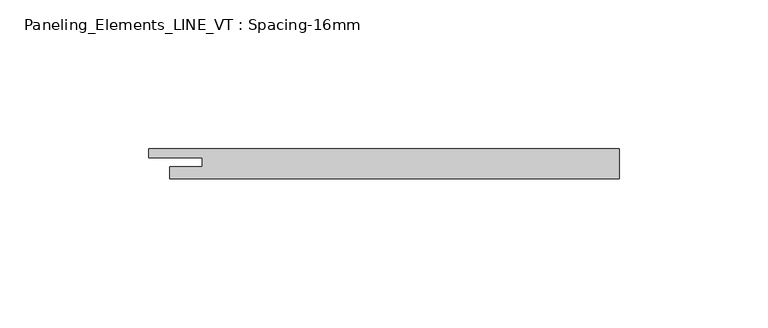
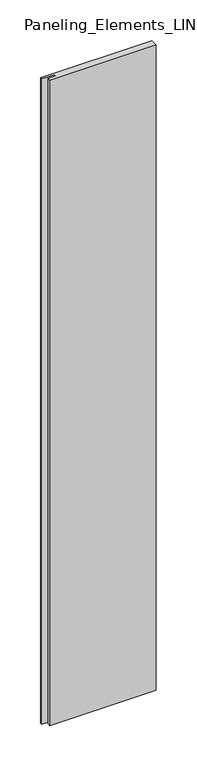
"""IFC4 building model written with IfcOpenShell, lengths in millimetres: plate geometry, Paneling_Elements_LINE_VT : Spacing-16mm."""

from ifc_helpers import new_model, si_unit, origin, origin_with_axes, place, context, project, spatial, polyline, outline, extrude, source, transform, mapped, element, save


def paneling_elements_line_vt_spacing_16mm_19d59e64(model_context):
    return source(origin(), model_context, "Body", "SweptSolid", [
        extrude(outline(polyline([(75.5, -5.0), (-75.5, -5.0), (-75.5, -1.0), (-64.5, -1.0), (-64.5, 2.0), (-82.5, 2.0), (-82.5, 5.0), (75.5, 5.0), (75.5, -5.0)])), origin_with_axes(), (0.0, 0.0, 1.0), 966.8),
    ])


if __name__ == "__main__":
    model = new_model("IFC4")
    model_context = context("Model", 3, world=origin())
    ifc_project = project(units=[si_unit("LENGTHUNIT", "METRE", prefix="MILLI")], contexts=[model_context])
    site = spatial("IfcSite", under=ifc_project)
    building = spatial("IfcBuilding", under=site)
    placement = place(None, origin())
    paneling_elements_line_vt_spacing_16mm_shape = paneling_elements_line_vt_spacing_16mm_19d59e64(model_context)
    element("IfcPlate", 1, ObjectType="Paneling_Elements_LINE_VT : Spacing-16mm", at=placement, inside=building, context=model_context, shape_type="MappedRepresentation", body=[
        mapped(paneling_elements_line_vt_spacing_16mm_shape, transform((0.0, 0.0, 0.0), x_axis=(1.0, 0.0, 0.0), y_axis=(0.0, 1.0, 0.0), z_axis=(0.0, 0.0, 1.0))),
    ])
    save(model, "model.ifc")
